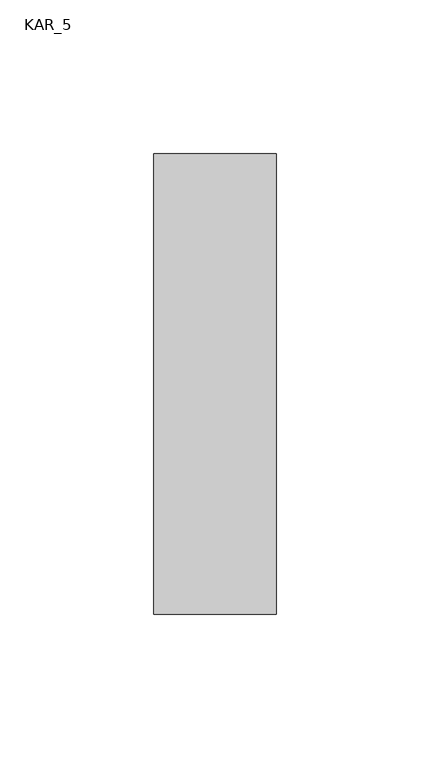
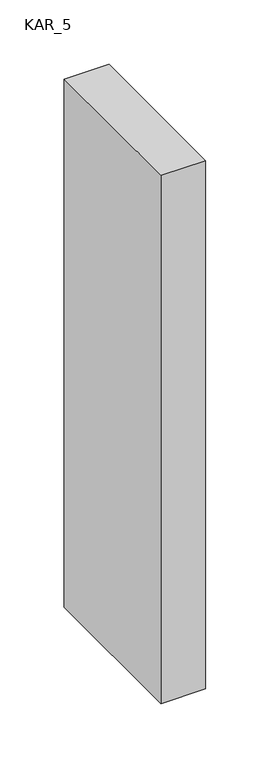
"""IFC4 building model written with IfcOpenShell, lengths in millimetres: proxy geometry, KAR_5."""

import ifcopenshell
import ifcopenshell.guid

model = None  # the IFC model being written
_history = None  # IfcOwnerHistory: only IFC2X3 demands one
_inside = {}  # id of a spatial element -> (the spatial element, [elements in it])
_under = {}  # id of a project, library or spatial element -> (it, [spatial elements below it])
_declared = {}  # id of a project -> (the project, [libraries it declares])
_typed = {}  # id of a type object -> (the type object, [elements of that type])
_made_of = {}  # id of a material, layer set ... -> (it, [elements and type objects made of it])


def new_model(schema):
    """Start an empty IFC model of exactly this schema.

    Asked for "IFC4X3", IfcOpenShell would pick the latest addendum, in which some entities
    have other attributes; the version numbers below select the first issue.
    IFC2X3 requires an IfcOwnerHistory on every rooted entity: one is made here for all.
    """
    global model, _history
    if schema == "IFC4X3":
        model = ifcopenshell.file(schema_version=(4, 3, 0, 0))
    else:
        model = ifcopenshell.file(schema=schema)
    _inside.clear()
    _under.clear()
    _declared.clear()
    _typed.clear()
    _made_of.clear()
    _history = None
    if model.schema == "IFC2X3":
        org = make("IfcOrganization", Name="unknown")
        user = make(
            "IfcPersonAndOrganization",
            ThePerson=make("IfcPerson", FamilyName="unknown"),
            TheOrganization=org,
        )
        app = make(
            "IfcApplication",
            ApplicationDeveloper=org,
            Version="unknown",
            ApplicationFullName="unknown",
            ApplicationIdentifier="unknown",
        )
        _history = make(
            "IfcOwnerHistory",
            OwningUser=user,
            OwningApplication=app,
            ChangeAction="ADDED",
            CreationDate=0,
        )
    return model


def make(cls, **values):
    """One entity of the class cls with the attributes given. An attribute that is None is left unset."""
    return model.create_entity(
        cls, **{name: value for name, value in values.items() if value is not None}
    )


def rooted(cls, **values):
    """An entity with a GlobalId (a new one), such as an element, a storey or a relation."""
    return make(cls, GlobalId=ifcopenshell.guid.new(), OwnerHistory=_history, **values)


def si_unit(unit_type, name, prefix=None):
    """IfcSIUnit, for example si_unit("LENGTHUNIT", "METRE", prefix="MILLI")."""
    return make("IfcSIUnit", UnitType=unit_type, Prefix=prefix, Name=name)


def assignment(units):
    """IfcUnitAssignment: the units of a project."""
    return None if units is None else make("IfcUnitAssignment", Units=units)


def point(xyz):
    """IfcCartesianPoint."""
    return None if xyz is None else make("IfcCartesianPoint", Coordinates=xyz)


def direction(xyz):
    """IfcDirection."""
    return None if xyz is None else make("IfcDirection", DirectionRatios=xyz)


def frame(location, z_axis=None, x_axis=None):
    """IfcAxis2Placement3D, a coordinate frame: its origin and axes. An axis left out is left unset."""
    return make(
        "IfcAxis2Placement3D",
        Location=point(location),
        Axis=direction(z_axis),
        RefDirection=direction(x_axis),
    )


def origin():
    """The frame at (0, 0, 0) with its axes left unset."""
    return frame((0.0, 0.0, 0.0))


def place(relative_to, where):
    """IfcLocalPlacement: puts the frame where relative to a parent placement (None: the world)."""
    return make(
        "IfcLocalPlacement", PlacementRelTo=relative_to, RelativePlacement=where
    )


def context(
    kind, dimensions, precision=None, world=None, true_north=None, identifier=None
):
    """IfcGeometricRepresentationContext, for example the 3D "Model" context."""
    return make(
        "IfcGeometricRepresentationContext",
        ContextIdentifier=identifier,
        ContextType=kind,
        CoordinateSpaceDimension=dimensions,
        Precision=precision,
        WorldCoordinateSystem=world,
        TrueNorth=true_north,
    )


def project(units=None, contexts=None):
    """IfcProject with its units and contexts."""
    return rooted(
        "IfcProject",
        Name="project",
        RepresentationContexts=contexts,
        UnitsInContext=assignment(units),
    )


def spatial(cls, under=None, at=None, **own):
    """A site, building, storey or space (cls), placed at a placement, below another one or the project."""
    s = rooted(cls, ObjectPlacement=at, **own)
    if under is not None:
        _under.setdefault(under.id(), (under, []))[1].append(s)
    return s


def polyline(points):
    """IfcPolyline through the points."""
    return make("IfcPolyline", Points=[point(p) for p in points])


def outline(outer, holes=None, kind="AREA"):
    """IfcArbitraryClosedProfileDef: a profile drawn as a closed curve; with holes, ...WithVoids."""
    if holes is None:
        return make("IfcArbitraryClosedProfileDef", ProfileType=kind, OuterCurve=outer)
    return make(
        "IfcArbitraryProfileDefWithVoids",
        ProfileType=kind,
        OuterCurve=outer,
        InnerCurves=holes,
    )


def extrude(swept, where, along, depth):
    """IfcExtrudedAreaSolid: the profile swept, set in the frame where, extruded along a direction by depth."""
    return make(
        "IfcExtrudedAreaSolid",
        SweptArea=swept,
        Position=where,
        ExtrudedDirection=direction(along),
        Depth=depth,
    )


def shape(context_of_items, identifier, shape_type, items):
    """IfcShapeRepresentation: the items that make up one representation, for example the "Body"."""
    return make(
        "IfcShapeRepresentation",
        ContextOfItems=context_of_items,
        RepresentationIdentifier=identifier,
        RepresentationType=shape_type,
        Items=items,
    )


def source(mapping_origin, context_of_items, identifier, shape_type, items):
    """IfcRepresentationMap: a shape defined once, which mapped items show again and again."""
    return make(
        "IfcRepresentationMap",
        MappingOrigin=mapping_origin,
        MappedRepresentation=shape(context_of_items, identifier, shape_type, items),
    )


def transform(
    local_origin,
    x_axis=None,
    y_axis=None,
    z_axis=None,
    scale=None,
    scale2=None,
    scale3=None,
    uniform=True,
):
    """IfcCartesianTransformationOperator3D, or its non-uniform kind. x_axis, y_axis, z_axis: its Axis1, 2, 3."""
    if uniform:
        return make(
            "IfcCartesianTransformationOperator3D",
            Axis1=direction(x_axis),
            Axis2=direction(y_axis),
            LocalOrigin=point(local_origin),
            Scale=scale,
            Axis3=direction(z_axis),
        )
    return make(
        "IfcCartesianTransformationOperator3DnonUniform",
        Axis1=direction(x_axis),
        Axis2=direction(y_axis),
        LocalOrigin=point(local_origin),
        Scale=scale,
        Axis3=direction(z_axis),
        Scale2=scale2,
        Scale3=scale3,
    )


def mapped(mapping_source, mapping_target):
    """IfcMappedItem: shows the shape of a source again, moved by a transform."""
    return make(
        "IfcMappedItem", MappingSource=mapping_source, MappingTarget=mapping_target
    )


def made_of(thing, what):
    """Note that an element or type object is made of a material, layer set ...; save() writes the relation."""
    if what is not None:
        _made_of.setdefault(what.id(), (what, []))[1].append(thing)
    return thing


def element(
    cls,
    number,
    at=None,
    inside=None,
    cuts=None,
    type_object=None,
    material=None,
    context=None,
    identifier="Body",
    shape_type=None,
    held_by="IfcProductDefinitionShape",
    body=None,
    shapes=None,
    **own,
):
    """One element of the class cls, such as IfcWall. Its Tag is "e" and its number.

    at: its placement. inside: the storey or other place that contains it. cuts: it is an
    opening in that element (IfcRelVoidsElement). A single representation is given by context,
    identifier, shape_type and body (its items); several are given by shapes. held_by: the class
    of the entity that holds the representations. save() writes the other relations.
    """
    e = rooted(cls, Tag="e%d" % number, ObjectPlacement=at, **own)
    if body is not None:
        shapes = [shape(context, identifier, shape_type, body)]
    if shapes is not None:
        e.Representation = make(held_by, Representations=shapes)
    if inside is not None:
        _inside.setdefault(inside.id(), (inside, []))[1].append(e)
    if cuts is not None:
        rooted(
            "IfcRelVoidsElement", RelatingBuildingElement=cuts, RelatedOpeningElement=e
        )
    if type_object is not None:
        _typed.setdefault(type_object.id(), (type_object, []))[1].append(e)
    return made_of(e, material)


def aggregate(whole, parts):
    """IfcRelAggregates: a whole, such as a stair, and the parts it consists of."""
    return rooted("IfcRelAggregates", RelatingObject=whole, RelatedObjects=parts)


def save(model, path):
    """Write the relations noted so far, then the file.

    IfcRelAggregates (storeys below a building ...), IfcRelContainedInSpatialStructure (elements
    in a storey), IfcRelDefinesByType, IfcRelAssociatesMaterial and IfcRelDeclares: one each for
    every whole, place, type object, material and project.
    """
    for whole, parts in _under.values():
        aggregate(whole, parts)
    for where, things in _inside.values():
        rooted(
            "IfcRelContainedInSpatialStructure",
            RelatedElements=things,
            RelatingStructure=where,
        )
    for kind, things in _typed.values():
        rooted("IfcRelDefinesByType", RelatedObjects=things, RelatingType=kind)
    for what, things in _made_of.values():
        rooted("IfcRelAssociatesMaterial", RelatedObjects=things, RelatingMaterial=what)
    for by, libraries in _declared.values():
        rooted("IfcRelDeclares", RelatingContext=by, RelatedDefinitions=libraries)
    model.write(path)


def kar_5_0028cdcc(model_context):
    return source(origin(), model_context, "Body", "SweptSolid", [
        extrude(outline(polyline([(40.0, 150.0), (40.0, 0.0), (0.0, 0.0), (0.0, 150.0), (40.0, 150.0)])), frame((0.0, 0.0, 1300.0), z_axis=(0.0, 0.0, 1.0), x_axis=(1.0, 0.0, 0.0)), (0.0, 0.0, 1.0), 500.0),
    ])


if __name__ == "__main__":
    model = new_model("IFC4")
    model_context = context("Model", 3, world=origin())
    ifc_project = project(units=[si_unit("LENGTHUNIT", "METRE", prefix="MILLI")], contexts=[model_context])
    site = spatial("IfcSite", under=ifc_project)
    building = spatial("IfcBuilding", under=site)
    placement = place(None, origin())
    kar_5_shape = kar_5_0028cdcc(model_context)
    element("IfcBuildingElementProxy", 1, Name="KAR_5", ObjectType="KAR_5", at=placement, inside=building, context=model_context, shape_type="MappedRepresentation", body=[
        mapped(kar_5_shape, transform((0.0, 0.0, 0.0), x_axis=(1.0, 0.0, 0.0), y_axis=(0.0, 1.0, 0.0), z_axis=(0.0, 0.0, 1.0))),
    ])
    save(model, "model.ifc")
